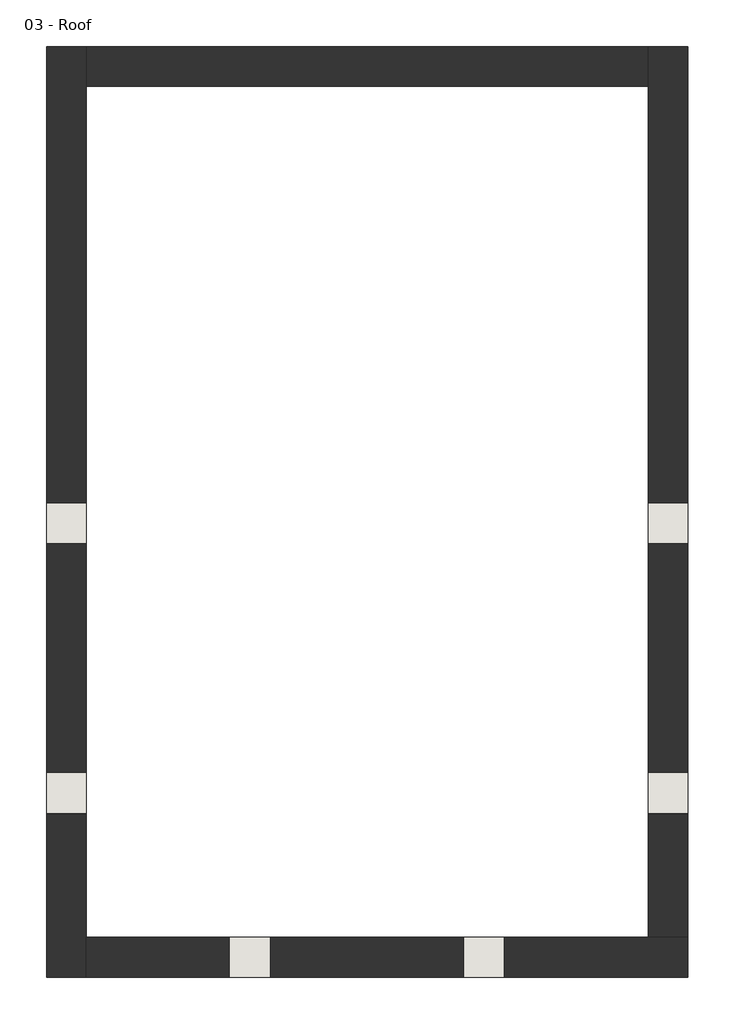
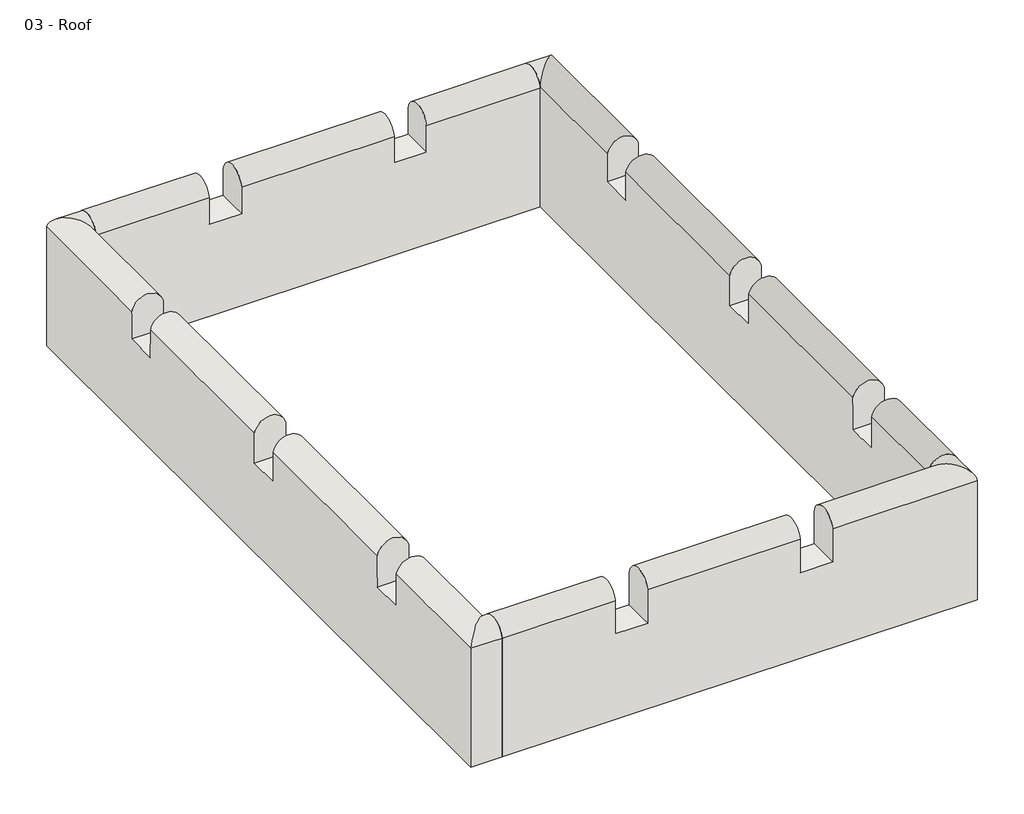
# One storey: 4 walls.
"""IFC4 building model written with IfcOpenShell, lengths in millimetres."""

from ifc_helpers import new_model, si_unit, frame, origin, place, context, project, spatial, circle_curve, ellipse_curve, element, save
from ifc_brep_helpers import plane_surface, cylinder_surface, advanced_brep

model = new_model("IFC4")

# Units and contexts
model_context = context("Model", 3, world=origin())
ifc_project = project(units=[si_unit("LENGTHUNIT", "METRE", prefix="MILLI")], contexts=[model_context])

# Site, building, storey
site = spatial("IfcSite", under=ifc_project)
building = spatial("IfcBuilding", under=site)
storey = spatial("IfcBuildingStorey", under=building, Name="03 - Roof", Elevation=9414.9335032)

# Walls
placement = place(None, origin())
element("IfcWall", 1, ObjectType="South Wall 399 mm", at=placement, inside=storey, context=model_context, shape_type="AdvancedBrep", body=[
    advanced_brep(
    [(-2441.1763236, -4044.2800806, 9414.9335032), (3576.3905142, -4044.2800806, 9414.9335032), (3576.3905142, -4044.2800806, 11005.1506205), (1741.7677761, -4044.2800806, 11005.1506205), (1741.7677761, -4044.2800806, 10562.1653721), (1331.1382325, -4044.2800806, 10562.1653721), (1331.1382325, -4044.2800806, 11005.1506205), (-599.2650398, -4044.2800806, 11005.1506205), (-599.2650398, -4044.2800806, 10562.1653721), (-1009.8988898, -4044.2800806, 10562.1653721), (-1009.8988898, -4044.2800806, 11005.1506205), (-2441.1763236, -4044.2800806, 11005.1506205), (3576.3905142, -3645.2800806, 9414.9335032), (3180.3905142, -3645.2800806, 9414.9335032), (-2441.1763236, -3645.2800806, 9414.9335032), (-2441.1763236, -3645.2800806, 11011.4056027), (-2438.3827433, -3645.2800806, 10991.0555528), (-1009.8988898, -3645.2800806, 10991.0555528), (-1009.8988898, -3645.2800806, 10562.1653721), (-599.2650398, -3645.2800806, 10562.1653721), (-599.2650398, -3645.2800806, 10991.0555528), (1331.1382325, -3645.2800806, 10991.0555528), (1331.1382325, -3645.2800806, 10562.1653721), (1741.7677761, -3645.2800806, 10562.1653721), (1741.7677761, -3645.2800806, 10991.0555528), (3177.5969339, -3645.2800806, 10991.0555528), (3576.3905142, -3645.2800806, 11006.436361), (-2441.1763236, -3648.0736609, 11011.4056027), (3576.3905142, -4044.0736609, 11006.436361)],
    [
        (0, 1),
        (1, 2),
        (2, 3),
        (3, 4),
        (4, 5),
        (5, 6),
        (6, 7),
        (7, 8),
        (8, 9),
        (9, 10),
        (10, 11),
        (11, 0),
        (12, 13),
        (13, 14),
        (14, 15),
        (15, 16, circle_curve(frame((-2638.7370907, -3645.2800806, 10973.9184135), z_axis=(0.0, 1.0, 0.0), x_axis=(-1.0, 0.0, 0.0)), 201.0859171)),
        (16, 17),
        (17, 18),
        (18, 19),
        (19, 20),
        (20, 21),
        (21, 22),
        (22, 23),
        (23, 24),
        (24, 25),
        (25, 26, circle_curve(frame((3377.9512813, -3645.2800806, 10973.9184135), z_axis=(0.0, 1.0, 0.0), x_axis=(1.0, 0.0, 0.0)), 201.0859171)),
        (26, 12),
        (14, 0),
        (11, 27, circle_curve(frame((-2441.1763236, -3845.634428, 10973.9184135), z_axis=(-1.0, 0.0, 0.0), x_axis=(0.0, -1.0, 0.0)), 201.0859171)),
        (27, 15),
        (12, 1),
        (23, 4),
        (3, 24, circle_curve(frame((1741.7677761, -3845.634428, 10973.9184135), z_axis=(-1.0, 0.0, 0.0), x_axis=(0.0, -1.0, 0.0)), 201.0859171)),
        (22, 5),
        (21, 6, circle_curve(frame((1331.1382325, -3845.634428, 10973.9184135), z_axis=(1.0, 0.0, 0.0), x_axis=(0.0, -1.0, 0.0)), 201.0859171)),
        (19, 8),
        (7, 20, circle_curve(frame((-599.2650398, -3845.634428, 10973.9184135), z_axis=(-1.0, 0.0, 0.0), x_axis=(0.0, -1.0, 0.0)), 201.0859171)),
        (18, 9),
        (17, 10, circle_curve(frame((-1009.8988898, -3845.634428, 10973.9184135), z_axis=(1.0, 0.0, 0.0), x_axis=(0.0, -1.0, 0.0)), 201.0859171)),
        (26, 28),
        (28, 2, circle_curve(frame((3576.3905142, -3845.634428, 10973.9184135), z_axis=(1.0, 0.0, 0.0), x_axis=(0.0, -1.0, 0.0)), 201.0859171)),
        (27, 16, ellipse_curve(frame((-2638.7370907, -3845.634428, 10973.9184135), z_axis=(-0.7071067811865461, 0.7071067811865489, 0.0), x_axis=(-0.7071067811865489, -0.7071067811865461, 0.0)), 284.3784312, 201.0859171)),
        (28, 25, ellipse_curve(frame((3377.9512813, -3845.634428, 10973.9184135), z_axis=(-0.707106781186549, -0.707106781186546, 0.0), x_axis=(0.707106781186546, -0.7071067811865489, 0.0)), 284.3784312, 201.0859171)),
    ],
    [
        plane_surface(frame((-2639.1763236, -4044.2800806, 9414.9335032), z_axis=(0.0, -1.0, 0.0), x_axis=(1.0, 0.0, 0.0))),
        plane_surface(frame((-2639.1763236, -3645.2800806, 9414.9335032), z_axis=(0.0, 1.0, 0.0), x_axis=(-1.0, 0.0, 0.0))),
        plane_surface(frame((-2441.1763236, 5056.8026479, 9414.9335032), z_axis=(-1.0, 0.0, 0.0), x_axis=(0.0, 1.0, 0.0))),
        plane_surface(frame((-2639.1763236, -4044.2800806, 9414.9335032), z_axis=(0.0, 0.0, -1.0), x_axis=(0.0, 1.0, 0.0))),
        plane_surface(frame((1741.7677761, -4044.2800806, 11197.165372), z_axis=(-1.0, 0.0, 0.0), x_axis=(0.0, 1.0, 0.0))),
        plane_surface(frame((1741.7677761, -4044.2800806, 10562.1653721), z_axis=(0.0, 0.0, 1.0), x_axis=(0.0, 1.0, 0.0))),
        plane_surface(frame((1331.1382325, -4044.2800806, 10562.1653721), z_axis=(1.0, 0.0, 0.0), x_axis=(0.0, 1.0, 0.0))),
        plane_surface(frame((-599.2650398, -4044.2800806, 11197.165372), z_axis=(-1.0, 0.0, 0.0), x_axis=(0.0, 1.0, 0.0))),
        plane_surface(frame((-599.2650398, -4044.2800806, 10562.1653721), z_axis=(0.0, 0.0, 1.0), x_axis=(0.0, 1.0, 0.0))),
        plane_surface(frame((-1009.8988898, -4044.2800806, 10562.1653721), z_axis=(1.0, 0.0, 0.0), x_axis=(0.0, 1.0, 0.0))),
        plane_surface(frame((3576.3905142, 5056.8026479, 9414.9335032), z_axis=(1.0, 0.0, 0.0), x_axis=(0.0, 1.0, 0.0))),
        cylinder_surface(frame((-2638.7370907, 4859.5452176, 10973.9184135), z_axis=(0.0, -1.0, 0.0), x_axis=(-1.0, 0.0, 0.0)), 201.0859171),
        cylinder_surface(frame((-2441.1763236, -3845.634428, 10973.9184135), z_axis=(1.0, 0.0, 0.0), x_axis=(0.0, -1.0, 0.0)), 201.0859171),
        cylinder_surface(frame((3377.9512813, -3648.0736609, 10973.9184135), z_axis=(0.0, 1.0, 0.0), x_axis=(1.0, 0.0, 0.0)), 201.0859171),
    ],
    [
        (0, [[1, 2, 3, 4, 5, 6, 7, 8, 9, 10, 11, 12]]),
        (1, [[13, 14, 15, 16, 17, 18, 19, 20, 21, 22, 23, 24, 25, 26, 27]]),
        (2, [[28, -12, 29, 30, -15]]),
        (3, [[-1, -28, -14, -13, 31]]),
        (4, [[32, -4, 33, -24]]),
        (5, [[-5, -32, -23, 34]]),
        (6, [[-34, -22, 35, -6]]),
        (7, [[36, -8, 37, -20]]),
        (8, [[-9, -36, -19, 38]]),
        (9, [[-38, -18, 39, -10]]),
        (10, [[-31, -27, 40, 41, -2]]),
        (11, [[42, -16, -30]]),
        (12, [[-42, -29, -11, -39, -17]]),
        (12, [[43, -25, -33, -3, -41]]),
        (12, [[-7, -35, -21, -37]]),
        (13, [[-43, -40, -26]]),
    ],
),
])
element("IfcWall", 2, ObjectType="South Wall 399 mm", at=placement, inside=storey, context=model_context, shape_type="AdvancedBrep", body=[
    advanced_brep(
    [(-2441.1763236, 4857.3026479, 9414.9335032), (3180.3905142, 4857.3026479, 9414.9335032), (3180.3905142, 4857.3026479, 11011.4056027), (3178.1479445, 4857.3026479, 10996.5937894), (1741.7677761, 4857.3026479, 10996.5937894), (1741.7677761, 4857.3026479, 10644.650237), (1331.1382325, 4857.3026479, 10644.650237), (1331.1382325, 4857.3026479, 10996.5937894), (-599.2650398, 4857.3026479, 10996.5937894), (-599.2650398, 4857.3026479, 10644.650237), (-1009.8988898, 4857.3026479, 10644.650237), (-1009.8988898, 4857.3026479, 10996.5937894), (-2438.9337539, 4857.3026479, 10996.5937894), (-2441.1763236, 4857.3026479, 11011.4056027), (3180.3905142, 5256.3026479, 9414.9335032), (-2441.1763236, 5256.3026479, 9414.9335032), (-2441.1763236, 5256.3026479, 11001.4181484), (-1009.8988898, 5256.3026479, 11001.4181484), (-1009.8988898, 5256.3026479, 10644.650237), (-599.2650398, 5256.3026479, 10644.650237), (-599.2650398, 5256.3026479, 11001.4181484), (1331.1382325, 5256.3026479, 11001.4181484), (1331.1382325, 5256.3026479, 10644.650237), (1741.7677761, 5256.3026479, 10644.650237), (1741.7677761, 5256.3026479, 11001.4181484), (3180.3905142, 5256.3026479, 11001.4181484), (-2441.1763236, 4859.5452176, 11011.4056027), (3180.3905142, 4859.5452176, 11011.4056027)],
    [
        (0, 1),
        (1, 2),
        (2, 3, circle_curve(frame((3377.9512813, 4857.3026479, 10973.9184135), z_axis=(0.0, -1.0, 0.0), x_axis=(1.0, 0.0, 0.0)), 201.0859171)),
        (3, 4),
        (4, 5),
        (5, 6),
        (6, 7),
        (7, 8),
        (8, 9),
        (9, 10),
        (10, 11),
        (11, 12),
        (12, 13, circle_curve(frame((-2638.7370907, 4857.3026479, 10973.9184135), z_axis=(0.0, -1.0, 0.0), x_axis=(-1.0, 0.0, 0.0)), 201.0859171)),
        (13, 0),
        (14, 15),
        (15, 16),
        (16, 17),
        (17, 18),
        (18, 19),
        (19, 20),
        (20, 21),
        (21, 22),
        (22, 23),
        (23, 24),
        (24, 25),
        (25, 14),
        (0, 15),
        (14, 1),
        (23, 5),
        (4, 24, circle_curve(frame((1741.7677761, 5057.1059847, 10973.9184135), z_axis=(-1.0, 0.0, 0.0), x_axis=(0.0, 1.0, 0.0)), 201.0859171)),
        (22, 6),
        (21, 7, circle_curve(frame((1331.1382325, 5057.1059847, 10973.9184135), z_axis=(1.0, 0.0, 0.0), x_axis=(0.0, 1.0, 0.0)), 201.0859171)),
        (19, 9),
        (8, 20, circle_curve(frame((-599.2650398, 5057.1059847, 10973.9184135), z_axis=(-1.0, 0.0, 0.0), x_axis=(0.0, 1.0, 0.0)), 201.0859171)),
        (18, 10),
        (17, 11, circle_curve(frame((-1009.8988898, 5057.1059847, 10973.9184135), z_axis=(1.0, 0.0, 0.0), x_axis=(0.0, 1.0, 0.0)), 201.0859171)),
        (13, 26),
        (26, 16, circle_curve(frame((-2441.1763236, 5057.1059847, 10973.9184135), z_axis=(-1.0, 0.0, 0.0), x_axis=(0.0, 1.0, 0.0)), 201.0859171)),
        (25, 27, circle_curve(frame((3180.3905142, 5057.1059847, 10973.9184135), z_axis=(1.0, 0.0, 0.0), x_axis=(0.0, 1.0, 0.0)), 201.0859171)),
        (27, 2),
        (12, 26, ellipse_curve(frame((-2638.7370907, 5057.1059847, 10973.9184135), z_axis=(-0.7071067811865489, -0.7071067811865461, 0.0), x_axis=(0.707106781186546, -0.7071067811865489, 0.0)), 284.3784312, 201.0859171)),
        (27, 3, ellipse_curve(frame((3377.9512813, 5057.1059847, 10973.9184135), z_axis=(0.707106781186546, -0.7071067811865489, 0.0), x_axis=(0.7071067811865488, 0.7071067811865461, 0.0)), 284.3784312, 201.0859171)),
    ],
    [
        plane_surface(frame((-2639.1763236, 4857.3026479, 9414.9335032), z_axis=(0.0, -1.0, 0.0), x_axis=(1.0, 0.0, 0.0))),
        plane_surface(frame((-2639.1763236, 5256.3026479, 9414.9335032), z_axis=(0.0, 1.0, 0.0), x_axis=(-1.0, 0.0, 0.0))),
        plane_surface(frame((-2639.1763236, 4857.3026479, 9414.9335032), z_axis=(0.0, 0.0, -1.0), x_axis=(0.0, 1.0, 0.0))),
        plane_surface(frame((1741.7677761, 4857.3026479, 11278.1117237), z_axis=(-1.0, 0.0, 0.0), x_axis=(0.0, 1.0, 0.0))),
        plane_surface(frame((1741.7677761, 4857.3026479, 10644.650237), z_axis=(0.0, 0.0, 1.0), x_axis=(0.0, 1.0, 0.0))),
        plane_surface(frame((1331.1382325, 4857.3026479, 10644.650237), z_axis=(1.0, 0.0, 0.0), x_axis=(0.0, 1.0, 0.0))),
        plane_surface(frame((-599.2650398, 4857.3026479, 11278.1117237), z_axis=(-1.0, 0.0, 0.0), x_axis=(0.0, 1.0, 0.0))),
        plane_surface(frame((-599.2650398, 4857.3026479, 10644.650237), z_axis=(0.0, 0.0, 1.0), x_axis=(0.0, 1.0, 0.0))),
        plane_surface(frame((-1009.8988898, 4857.3026479, 10644.650237), z_axis=(1.0, 0.0, 0.0), x_axis=(0.0, 1.0, 0.0))),
        plane_surface(frame((-2441.1763236, 5056.8026479, 9414.9335032), z_axis=(-1.0, 0.0, 0.0), x_axis=(0.0, 1.0, 0.0))),
        plane_surface(frame((3180.3905142, 5056.8026479, 9414.9335032), z_axis=(1.0, 0.0, 0.0), x_axis=(0.0, -1.0, 0.0))),
        cylinder_surface(frame((-2638.7370907, 4859.5452176, 10973.9184135), z_axis=(0.0, -1.0, 0.0), x_axis=(-1.0, 0.0, 0.0)), 201.0859171),
        cylinder_surface(frame((3377.9512813, -3648.0736609, 10973.9184135), z_axis=(0.0, 1.0, 0.0), x_axis=(1.0, 0.0, 0.0)), 201.0859171),
        cylinder_surface(frame((3180.3905142, 5057.1059847, 10973.9184135), z_axis=(-1.0, 0.0, 0.0), x_axis=(0.0, 1.0, 0.0)), 201.0859171),
    ],
    [
        (0, [[1, 2, 3, 4, 5, 6, 7, 8, 9, 10, 11, 12, 13, 14]]),
        (1, [[15, 16, 17, 18, 19, 20, 21, 22, 23, 24, 25, 26]]),
        (2, [[-1, 27, -15, 28]]),
        (3, [[29, -5, 30, -24]]),
        (4, [[-6, -29, -23, 31]]),
        (5, [[-31, -22, 32, -7]]),
        (6, [[33, -9, 34, -20]]),
        (7, [[-10, -33, -19, 35]]),
        (8, [[-35, -18, 36, -11]]),
        (9, [[-27, -14, 37, 38, -16]]),
        (10, [[-28, -26, 39, 40, -2]]),
        (11, [[41, -37, -13]]),
        (12, [[42, -3, -40]]),
        (13, [[-42, -39, -25, -30, -4]]),
        (13, [[-41, -12, -36, -17, -38]]),
        (13, [[-8, -32, -21, -34]]),
    ],
),
])
element("IfcWall", 3, ObjectType="West Wall 396mm", at=placement, inside=storey, context=model_context, shape_type="AdvancedBrep", body=[
    advanced_brep(
    [(-2837.1763236, 5256.3026479, 9414.9335032), (-2837.1763236, -4044.2800806, 9414.9335032), (-2837.1763236, -4044.2800806, 11005.1506205), (-2837.1763236, -4044.0736609, 11006.436361), (-2837.1763236, -2412.2744809, 11006.436361), (-2837.1763236, -2407.9890672, 10583.2623141), (-2837.1763236, -1993.1007837, 10583.2623141), (-2837.1763236, -1997.3861975, 11006.436361), (-2837.1763236, 284.4950547, 11006.436361), (-2837.1763236, 288.5039356, 10610.5692536), (-2837.1763236, 699.1167313, 10610.5692536), (-2837.1763236, 699.1167313, 11006.436361), (-2837.1763236, 2977.0355187, 11006.436361), (-2837.1763236, 2980.7683004, 10637.8333704), (-2837.1763236, 3391.4188991, 10637.8333704), (-2837.1763236, 3387.6861174, 11006.436361), (-2837.1763236, 5255.5452176, 11006.436361), (-2837.1763236, 5256.3026479, 11001.4181484), (-2441.1763236, -4044.2800806, 9414.9335032), (-2441.1763236, -3645.2800806, 9414.9335032), (-2441.1763236, 4857.3026479, 9414.9335032), (-2441.1763236, 5256.3026479, 9414.9335032), (-2441.1763236, 5256.3026479, 11001.4181484), (-2441.1763236, 4859.5452176, 11011.4056027), (-2441.1763236, 4857.3026479, 11011.4056027), (-2441.1763236, 3387.6357947, 11011.4056027), (-2441.1763236, 3391.4188991, 10637.8333704), (-2441.1763236, 2980.7683004, 10637.8333704), (-2441.1763236, 2976.9851961, 11011.4056027), (-2441.1763236, 699.1167313, 11011.4056027), (-2441.1763236, 699.1167313, 10610.5692536), (-2441.1763236, 288.5039356, 10610.5692536), (-2441.1763236, 284.444732, 11011.4056027), (-2441.1763236, -1997.4365202, 11011.4056027), (-2441.1763236, -1993.1007837, 10583.2623141), (-2441.1763236, -2407.9890672, 10583.2623141), (-2441.1763236, -2412.3248036, 11011.4056027), (-2441.1763236, -3645.2800806, 11011.4056027), (-2441.1763236, -3648.0736609, 11011.4056027), (-2441.1763236, -4044.2800806, 11005.1506205)],
    [
        (0, 1),
        (1, 2),
        (2, 3, circle_curve(frame((-2837.1763236, -3845.634428, 10973.9184135), z_axis=(-1.0, 0.0, 0.0), x_axis=(0.0, -1.0, 0.0)), 201.0859171)),
        (3, 4),
        (4, 5),
        (5, 6),
        (6, 7),
        (7, 8),
        (8, 9),
        (9, 10),
        (10, 11),
        (11, 12),
        (12, 13),
        (13, 14),
        (14, 15),
        (15, 16),
        (16, 17, circle_curve(frame((-2837.1763236, 5057.1059847, 10973.9184135), z_axis=(-1.0, 0.0, 0.0), x_axis=(0.0, 1.0, 0.0)), 201.0859171)),
        (17, 0),
        (18, 19),
        (19, 20),
        (20, 21),
        (21, 22),
        (22, 23, circle_curve(frame((-2441.1763236, 5057.1059847, 10973.9184135), z_axis=(1.0, 0.0, 0.0), x_axis=(0.0, 1.0, 0.0)), 201.0859171)),
        (23, 24),
        (24, 25),
        (25, 26),
        (26, 27),
        (27, 28),
        (28, 29),
        (29, 30),
        (30, 31),
        (31, 32),
        (32, 33),
        (33, 34),
        (34, 35),
        (35, 36),
        (36, 37),
        (37, 38),
        (38, 39, circle_curve(frame((-2441.1763236, -3845.634428, 10973.9184135), z_axis=(1.0, 0.0, 0.0), x_axis=(0.0, -1.0, 0.0)), 201.0859171)),
        (39, 18),
        (1, 18),
        (39, 2),
        (0, 21),
        (35, 5),
        (4, 36, ellipse_curve(frame((-2638.7370907, -2411.945177, 10973.9184135), z_axis=(0.0, 0.9999487275508026, 0.010126315693821004), x_axis=(0.0, -0.01012631569381659, 0.9999487275508026)), 201.0962278, 201.0859171)),
        (34, 6),
        (33, 7, ellipse_curve(frame((-2638.7370907, -1997.0568936, 10973.9184135), z_axis=(0.0, -0.9999487275508026, -0.01012631569382097), x_axis=(0.0, -0.010126315693816624, 0.9999487275508026)), 201.0962278, 201.0859171)),
        (31, 9),
        (8, 32, ellipse_curve(frame((-2638.7370907, 284.8243586, 10973.9184135), z_axis=(0.0, 0.9999487275508026, 0.010126315693820956), x_axis=(0.0, -0.010126315693816636, 0.9999487275508026)), 201.0962278, 201.0859171)),
        (30, 10),
        (29, 11, circle_curve(frame((-2638.7370907, 699.1167313, 10973.9184135), z_axis=(0.0, -1.0, 0.0), x_axis=(-1.0, 0.0, 0.0)), 201.0859171)),
        (27, 13),
        (12, 28, ellipse_curve(frame((-2638.7370907, 2977.3648226, 10973.9184135), z_axis=(0.0, 0.9999487275508026, 0.010126315693821017), x_axis=(0.0, -0.010126315693816577, 0.9999487275508026)), 201.0962278, 201.0859171)),
        (26, 14),
        (25, 15, ellipse_curve(frame((-2638.7370907, 3388.0154213, 10973.9184135), z_axis=(0.0, -0.9999487275508027, -0.010126315693822215), x_axis=(0.0, -0.010126315693793452, 0.9999487275508029)), 201.0962278, 201.0859171)),
        (17, 22),
        (3, 38, ellipse_curve(frame((-2638.7370907, -3845.634428, 10973.9184135), z_axis=(-0.7071067811865461, 0.7071067811865489, 0.0), x_axis=(-0.7071067811865489, -0.7071067811865461, 0.0)), 284.3784312, 201.0859171)),
        (23, 16, ellipse_curve(frame((-2638.7370907, 5057.1059847, 10973.9184135), z_axis=(-0.7071067811865489, -0.7071067811865461, 0.0), x_axis=(0.707106781186546, -0.7071067811865489, 0.0)), 284.3784312, 201.0859171)),
    ],
    [
        plane_surface(frame((-2837.1763236, 5056.8026479, 9414.9335032), z_axis=(-1.0, 0.0, 0.0), x_axis=(0.0, -1.0, 0.0))),
        plane_surface(frame((-2441.1763236, 5056.8026479, 9414.9335032), z_axis=(1.0, 0.0, 0.0), x_axis=(0.0, 1.0, 0.0))),
        plane_surface(frame((-2639.1763236, -4044.2800806, 9414.9335032), z_axis=(0.0, -1.0, 0.0), x_axis=(1.0, 0.0, 0.0))),
        plane_surface(frame((-2837.1763236, 5056.8026479, 9414.9335032), z_axis=(0.0, 0.0, -1.0), x_axis=(1.0, 0.0, 0.0))),
        plane_surface(frame((-2837.1763236, -2414.2059621, 11197.165372), z_axis=(0.0, 0.9999487275508026, 0.010126315693821004), x_axis=(1.0, 0.0, 0.0))),
        plane_surface(frame((-2837.1763236, -2407.9890672, 10583.2623141), z_axis=(0.0, 0.0, 1.0), x_axis=(1.0, 0.0, 0.0))),
        plane_surface(frame((-2837.1763236, -1993.1007837, 10583.2623141), z_axis=(0.0, -0.9999487275508026, -0.01012631569382097), x_axis=(1.0, 0.0, 0.0))),
        plane_surface(frame((-2837.1763236, 282.5635735, 11197.165372), z_axis=(0.0, 0.9999487275508026, 0.010126315693820956), x_axis=(1.0, 0.0, 0.0))),
        plane_surface(frame((-2837.1763236, 288.5039356, 10610.5692536), z_axis=(0.0, 0.0, 1.0), x_axis=(1.0, 0.0, 0.0))),
        plane_surface(frame((-2837.1763236, 699.1167313, 10610.5692536), z_axis=(0.0, -1.0, 0.0), x_axis=(1.0, 0.0, 0.0))),
        plane_surface(frame((-2837.1763236, 2974.6893806, 11238.1117237), z_axis=(0.0, 0.9999487275508026, 0.010126315693821017), x_axis=(1.0, 0.0, 0.0))),
        plane_surface(frame((-2837.1763236, 2980.7683004, 10637.8333704), z_axis=(0.0, 0.0, 1.0), x_axis=(1.0, 0.0, 0.0))),
        plane_surface(frame((-2837.1763236, 3391.4188991, 10637.8333704), z_axis=(0.0, -0.9999487275508027, -0.010126315693822215), x_axis=(1.0, 0.0, 0.0))),
        plane_surface(frame((-2639.1763236, 5256.3026479, 9414.9335032), z_axis=(0.0, 1.0, 0.0), x_axis=(-1.0, 0.0, 0.0))),
        cylinder_surface(frame((-2638.7370907, 4859.5452176, 10973.9184135), z_axis=(0.0, -1.0, 0.0), x_axis=(-1.0, 0.0, 0.0)), 201.0859171),
        cylinder_surface(frame((-2441.1763236, -3845.634428, 10973.9184135), z_axis=(1.0, 0.0, 0.0), x_axis=(0.0, -1.0, 0.0)), 201.0859171),
        cylinder_surface(frame((3180.3905142, 5057.1059847, 10973.9184135), z_axis=(-1.0, 0.0, 0.0), x_axis=(0.0, 1.0, 0.0)), 201.0859171),
    ],
    [
        (0, [[1, 2, 3, 4, 5, 6, 7, 8, 9, 10, 11, 12, 13, 14, 15, 16, 17, 18]]),
        (1, [[19, 20, 21, 22, 23, 24, 25, 26, 27, 28, 29, 30, 31, 32, 33, 34, 35, 36, 37, 38, 39, 40]]),
        (2, [[41, -40, 42, -2]]),
        (3, [[-1, 43, -21, -20, -19, -41]]),
        (4, [[44, -5, 45, -36]]),
        (5, [[-6, -44, -35, 46]]),
        (6, [[-46, -34, 47, -7]]),
        (7, [[48, -9, 49, -32]]),
        (8, [[-10, -48, -31, 50]]),
        (9, [[-50, -30, 51, -11]]),
        (10, [[52, -13, 53, -28]]),
        (11, [[-14, -52, -27, 54]]),
        (12, [[-54, -26, 55, -15]]),
        (13, [[-43, -18, 56, -22]]),
        (14, [[57, -38, -37, -45, -4]]),
        (14, [[58, -16, -55, -25, -24]]),
        (14, [[-8, -47, -33, -49]]),
        (14, [[-12, -51, -29, -53]]),
        (15, [[-57, -3, -42, -39]]),
        (16, [[-58, -23, -56, -17]]),
    ],
),
])
element("IfcWall", 4, ObjectType="West Wall 396mm", at=placement, inside=storey, context=model_context, shape_type="AdvancedBrep", body=[
    advanced_brep(
    [(3180.3905142, 5256.3026479, 9414.9335032), (3180.3905142, 4857.3026479, 9414.9335032), (3180.3905142, -3645.2800806, 9414.9335032), (3180.3905142, -3645.2800806, 11011.4056027), (3180.3905142, -2412.3248036, 11011.4056027), (3180.3905142, -2407.9890672, 10583.2623141), (3180.3905142, -1993.1007837, 10583.2623141), (3180.3905142, -1997.4365202, 11011.4056027), (3180.3905142, 284.444732, 11011.4056027), (3180.3905142, 288.5039356, 10610.5692536), (3180.3905142, 699.1167313, 10610.5692536), (3180.3905142, 699.1167313, 11011.4056027), (3180.3905142, 2976.9851961, 11011.4056027), (3180.3905142, 2980.7683004, 10637.8333704), (3180.3905142, 3391.4188991, 10637.8333704), (3180.3905142, 3387.6357947, 11011.4056027), (3180.3905142, 4857.3026479, 11011.4056027), (3180.3905142, 4859.5452176, 11011.4056027), (3180.3905142, 5256.3026479, 11001.4181484), (3576.3905142, -3645.2800806, 9414.9335032), (3576.3905142, 5256.3026479, 9414.9335032), (3576.3905142, 5256.3026479, 11001.4181484), (3576.3905142, 5255.5452176, 11006.436361), (3576.3905142, 3387.6861174, 11006.436361), (3576.3905142, 3391.4188991, 10637.8333704), (3576.3905142, 2980.7683004, 10637.8333704), (3576.3905142, 2977.0355187, 11006.436361), (3576.3905142, 699.1167313, 11006.436361), (3576.3905142, 699.1167313, 10610.5692536), (3576.3905142, 288.5039356, 10610.5692536), (3576.3905142, 284.4950547, 11006.436361), (3576.3905142, -1997.3861975, 11006.436361), (3576.3905142, -1993.1007837, 10583.2623141), (3576.3905142, -2407.9890672, 10583.2623141), (3576.3905142, -2412.2744809, 11006.436361), (3576.3905142, -3645.2800806, 11006.436361)],
    [
        (0, 1),
        (1, 2),
        (2, 3),
        (3, 4),
        (4, 5),
        (5, 6),
        (6, 7),
        (7, 8),
        (8, 9),
        (9, 10),
        (10, 11),
        (11, 12),
        (12, 13),
        (13, 14),
        (14, 15),
        (15, 16),
        (16, 17),
        (17, 18, circle_curve(frame((3180.3905142, 5057.1059847, 10973.9184135), z_axis=(-1.0, 0.0, 0.0), x_axis=(0.0, 1.0, 0.0)), 201.0859171)),
        (18, 0),
        (19, 20),
        (20, 21),
        (21, 22, circle_curve(frame((3576.3905142, 5057.1059847, 10973.9184135), z_axis=(1.0, 0.0, 0.0), x_axis=(0.0, 1.0, 0.0)), 201.0859171)),
        (22, 23),
        (23, 24),
        (24, 25),
        (25, 26),
        (26, 27),
        (27, 28),
        (28, 29),
        (29, 30),
        (30, 31),
        (31, 32),
        (32, 33),
        (33, 34),
        (34, 35),
        (35, 19),
        (0, 20),
        (19, 2),
        (33, 5),
        (4, 34, ellipse_curve(frame((3377.9512813, -2411.945177, 10973.9184135), z_axis=(0.0, 0.9999487275508026, 0.010126315693820527), x_axis=(0.0, 0.010126315693817065, -0.9999487275508024)), 201.0962278, 201.0859171)),
        (32, 6),
        (31, 7, ellipse_curve(frame((3377.9512813, -1997.0568936, 10973.9184135), z_axis=(0.0, -0.9999487275508026, -0.01012631569382141), x_axis=(0.0, 0.010126315693816182, -0.9999487275508024)), 201.0962278, 201.0859171)),
        (29, 9),
        (8, 30, ellipse_curve(frame((3377.9512813, 284.8243586, 10973.9184135), z_axis=(0.0, 0.9999487275508026, 0.010126315693821265), x_axis=(0.0, 0.010126315693816328, -0.9999487275508024)), 201.0962278, 201.0859171)),
        (28, 10),
        (27, 11, circle_curve(frame((3377.9512813, 699.1167313, 10973.9184135), z_axis=(0.0, -1.0, 0.0), x_axis=(1.0, 0.0, 0.0)), 201.0859171)),
        (25, 13),
        (12, 26, ellipse_curve(frame((3377.9512813, 2977.3648226, 10973.9184135), z_axis=(0.0, 0.9999487275508026, 0.01012631569382098), x_axis=(0.0, 0.010126315693816614, -0.9999487275508026)), 201.0962278, 201.0859171)),
        (24, 14),
        (23, 15, ellipse_curve(frame((3377.9512813, 3388.0154213, 10973.9184135), z_axis=(0.0, -0.9999487275508027, -0.010126315693822215), x_axis=(0.0, 0.010126315693793452, -0.9999487275508029)), 201.0962278, 201.0859171)),
        (35, 3, circle_curve(frame((3377.9512813, -3645.2800806, 10973.9184135), z_axis=(0.0, -1.0, 0.0), x_axis=(1.0, 0.0, 0.0)), 201.0859171)),
        (18, 21),
        (22, 17, ellipse_curve(frame((3377.9512813, 5057.1059847, 10973.9184135), z_axis=(0.707106781186546, -0.7071067811865489, 0.0), x_axis=(0.7071067811865488, 0.7071067811865461, 0.0)), 284.3784312, 201.0859171)),
    ],
    [
        plane_surface(frame((3180.3905142, 5056.8026479, 9414.9335032), z_axis=(-1.0, 0.0, 0.0), x_axis=(0.0, -1.0, 0.0))),
        plane_surface(frame((3576.3905142, 5056.8026479, 9414.9335032), z_axis=(1.0, 0.0, 0.0), x_axis=(0.0, 1.0, 0.0))),
        plane_surface(frame((3180.3905142, 5056.8026479, 9414.9335032), z_axis=(0.0, 0.0, -1.0), x_axis=(1.0, 0.0, 0.0))),
        plane_surface(frame((3180.3905142, -2414.2059621, 11197.165372), z_axis=(0.0, 0.9999487275508026, 0.010126315693820527), x_axis=(1.0, 0.0, 0.0))),
        plane_surface(frame((3180.3905142, -2407.9890672, 10583.2623141), z_axis=(0.0, 0.0, 1.0), x_axis=(1.0, 0.0, 0.0))),
        plane_surface(frame((3180.3905142, -1993.1007837, 10583.2623141), z_axis=(0.0, -0.9999487275508026, -0.01012631569382141), x_axis=(1.0, 0.0, 0.0))),
        plane_surface(frame((3180.3905142, 282.5635735, 11197.165372), z_axis=(0.0, 0.9999487275508026, 0.010126315693821265), x_axis=(1.0, 0.0, 0.0))),
        plane_surface(frame((3180.3905142, 288.5039356, 10610.5692536), z_axis=(0.0, 0.0, 1.0), x_axis=(1.0, 0.0, 0.0))),
        plane_surface(frame((3180.3905142, 699.1167313, 10610.5692536), z_axis=(0.0, -1.0, 0.0), x_axis=(1.0, 0.0, 0.0))),
        plane_surface(frame((3180.3905142, 2974.6893806, 11238.1117237), z_axis=(0.0, 0.9999487275508026, 0.01012631569382098), x_axis=(1.0, 0.0, 0.0))),
        plane_surface(frame((3180.3905142, 2980.7683004, 10637.8333704), z_axis=(0.0, 0.0, 1.0), x_axis=(1.0, 0.0, 0.0))),
        plane_surface(frame((3180.3905142, 3391.4188991, 10637.8333704), z_axis=(0.0, -0.9999487275508027, -0.010126315693822215), x_axis=(1.0, 0.0, 0.0))),
        plane_surface(frame((-2639.1763236, -3645.2800806, 9414.9335032), z_axis=(0.0, -1.0, 0.0), x_axis=(-1.0, 0.0, 0.0))),
        plane_surface(frame((-2639.1763236, 5256.3026479, 9414.9335032), z_axis=(0.0, 1.0, 0.0), x_axis=(-1.0, 0.0, 0.0))),
        cylinder_surface(frame((3377.9512813, -3648.0736609, 10973.9184135), z_axis=(0.0, 1.0, 0.0), x_axis=(1.0, 0.0, 0.0)), 201.0859171),
        cylinder_surface(frame((3180.3905142, 5057.1059847, 10973.9184135), z_axis=(-1.0, 0.0, 0.0), x_axis=(0.0, 1.0, 0.0)), 201.0859171),
    ],
    [
        (0, [[1, 2, 3, 4, 5, 6, 7, 8, 9, 10, 11, 12, 13, 14, 15, 16, 17, 18, 19]]),
        (1, [[20, 21, 22, 23, 24, 25, 26, 27, 28, 29, 30, 31, 32, 33, 34, 35, 36]]),
        (2, [[-2, -1, 37, -20, 38]]),
        (3, [[39, -5, 40, -34]]),
        (4, [[-6, -39, -33, 41]]),
        (5, [[-41, -32, 42, -7]]),
        (6, [[43, -9, 44, -30]]),
        (7, [[-10, -43, -29, 45]]),
        (8, [[-45, -28, 46, -11]]),
        (9, [[47, -13, 48, -26]]),
        (10, [[-14, -47, -25, 49]]),
        (11, [[-49, -24, 50, -15]]),
        (12, [[-38, -36, 51, -3]]),
        (13, [[-37, -19, 52, -21]]),
        (14, [[53, -17, -16, -50, -23]]),
        (14, [[-4, -51, -35, -40]]),
        (14, [[-8, -42, -31, -44]]),
        (14, [[-12, -46, -27, -48]]),
        (15, [[-53, -22, -52, -18]]),
    ],
),
])

save(model, "model.ifc")
